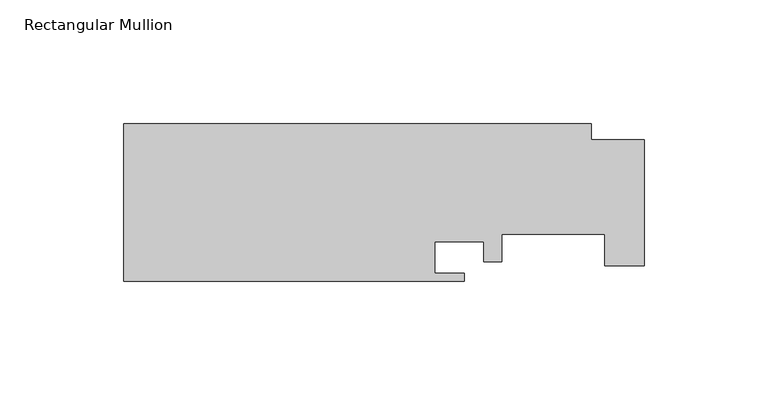
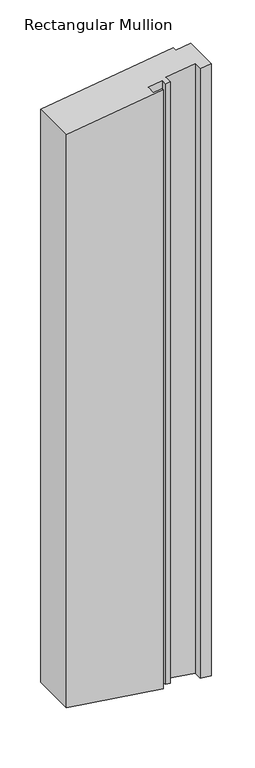
"""IFC4 building model written with IfcOpenShell, lengths in millimetres: member geometry, Rectangular Mullion."""

from ifc_helpers import new_model, si_unit, origin, place, context, project, spatial, faceted_brep, source, transform, mapped, element, save


def rectangular_mullion_a16bbce8(model_context):
    return source(origin(), model_context, "Body", "Brep", [
        faceted_brep([(-51.9636375, -19.05, -7.303013), (-189.3014375, -19.05, -26.604582), (-189.3014375, -19.05, -887.795418), (-51.9636375, -19.05, -907.096987), (-51.9636375, -15.875, -7.303013), (-51.9636375, -15.875, -907.096987), (-63.8762375, -15.875, -8.9772197), (-63.8762375, -15.875, -905.4227803), (-63.8762375, -3.175, -8.9772197), (-63.8762375, -3.175, -905.4227803), (-44.0642375, -3.175, -6.1928247), (-44.0642375, -3.175, -908.2071753), (-44.0642375, -11.1252, -6.1928247), (-44.0642375, -11.1252, -908.2071753), (-36.9014375, -11.1252, -5.1861588), (-36.9014375, -11.1252, -909.2138412), (-36.9014375, 0.0, -5.1861588), (-36.9014375, 0.0, -909.2138412), (4.7545625, 0.0, 0.6682102), (4.7545625, 0.0, -915.0682102), (4.7545625, -12.7, 0.6682102), (4.7545625, -12.7, -915.0682102), (20.6295625, -12.7, 2.8992959), (20.6295625, -12.7, -917.2992959), (20.6295625, 38.1, 2.8992959), (20.6295625, 38.1, -917.2992959), (-0.6556375, 38.1, -0.0921438), (-0.6556375, 38.1, -914.3078562), (-0.6556375, 44.45, -0.0921438), (-0.6556375, 44.45, -914.3078562), (-189.3014375, 44.45, -26.604582), (-189.3014375, 44.45, -887.795418)], [[[0, 1, 2, 3]], [[4, 0, 3, 5]], [[6, 4, 5, 7]], [[8, 6, 7, 9]], [[10, 8, 9, 11]], [[12, 10, 11, 13]], [[14, 12, 13, 15]], [[16, 14, 15, 17]], [[18, 16, 17, 19]], [[20, 18, 19, 21]], [[22, 20, 21, 23]], [[24, 22, 23, 25]], [[26, 24, 25, 27]], [[28, 26, 27, 29]], [[30, 28, 29, 31]], [[1, 30, 31, 2]], [[1, 0, 4, 6, 8, 10, 12, 14, 16, 18, 20, 22, 24, 26, 28, 30]], [[2, 31, 29, 27, 25, 23, 21, 19, 17, 15, 13, 11, 9, 7, 5, 3]]]),
    ])


if __name__ == "__main__":
    model = new_model("IFC4")
    model_context = context("Model", 3, world=origin())
    ifc_project = project(units=[si_unit("LENGTHUNIT", "METRE", prefix="MILLI")], contexts=[model_context])
    site = spatial("IfcSite", under=ifc_project)
    building = spatial("IfcBuilding", under=site)
    placement = place(None, origin())
    rectangular_mullion_shape = rectangular_mullion_a16bbce8(model_context)
    element("IfcMember", 1, ObjectType="Rectangular Mullion", at=placement, inside=building, context=model_context, shape_type="MappedRepresentation", body=[
        mapped(rectangular_mullion_shape, transform((0.0, 0.0, 0.0), x_axis=(1.0, 0.0, 0.0), y_axis=(0.0, 1.0, 0.0), z_axis=(0.0, 0.0, 1.0))),
    ])
    save(model, "model.ifc")
